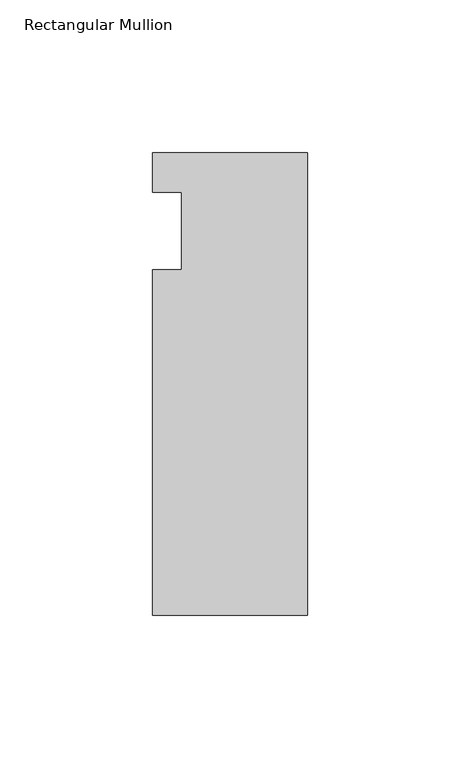
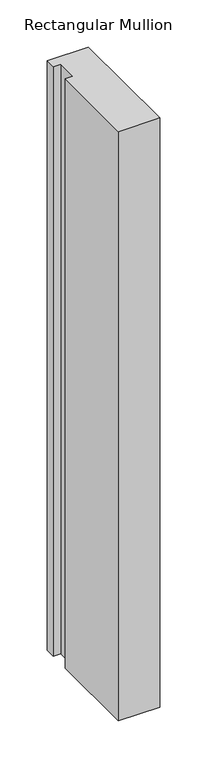
"""IFC4 building model written with IfcOpenShell, lengths in millimetres: member geometry, Rectangular Mullion."""

from ifc_helpers import new_model, si_unit, frame, origin, place, context, project, spatial, polyline, outline, extrude, source, transform, mapped, element, save


def rectangular_mullion_a740e733(model_context):
    return source(origin(), model_context, "Body", "SweptSolid", [
        extrude(outline(polyline([(-50.8, 25.7961253), (0.0, 25.7961253), (0.0, -125.8036906), (-50.8, -125.8036906), (-50.8, -12.7), (-41.275, -12.7), (-41.275, 12.7), (-50.8, 12.7), (-50.8, 25.7961253)])), frame((0.0, 0.0, -764.22885), z_axis=(0.0, 0.0, 1.0), x_axis=(1.0, 0.0, 0.0)), (0.0, 0.0, 1.0), 764.22885),
    ])


if __name__ == "__main__":
    model = new_model("IFC4")
    model_context = context("Model", 3, world=origin())
    ifc_project = project(units=[si_unit("LENGTHUNIT", "METRE", prefix="MILLI")], contexts=[model_context])
    site = spatial("IfcSite", under=ifc_project)
    building = spatial("IfcBuilding", under=site)
    placement = place(None, origin())
    rectangular_mullion_shape = rectangular_mullion_a740e733(model_context)
    element("IfcMember", 1, ObjectType="Rectangular Mullion", at=placement, inside=building, context=model_context, shape_type="MappedRepresentation", body=[
        mapped(rectangular_mullion_shape, transform((0.0, 0.0, 0.0), x_axis=(1.0, 0.0, 0.0), y_axis=(0.0, 1.0, 0.0), z_axis=(0.0, 0.0, 1.0))),
    ])
    save(model, "model.ifc")
